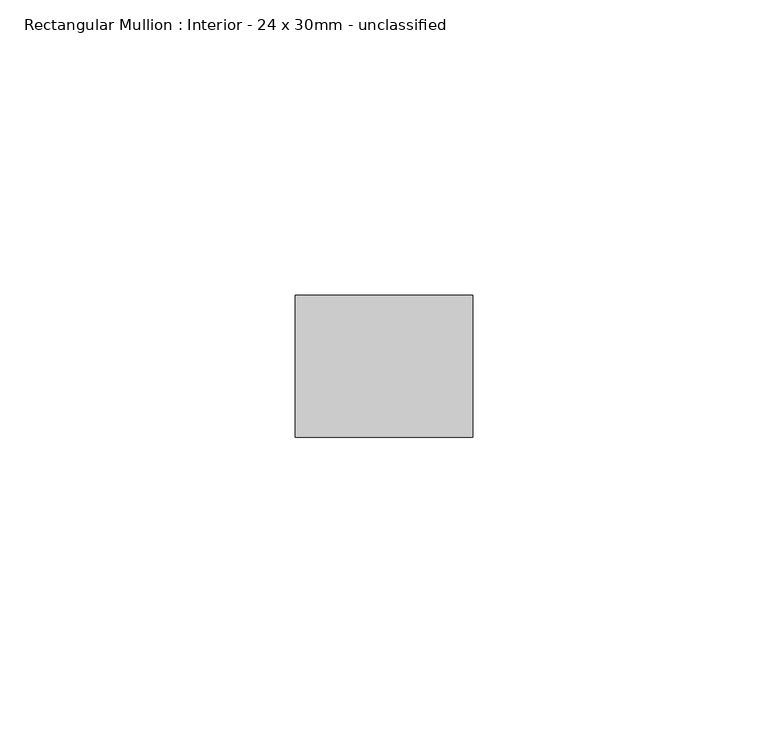
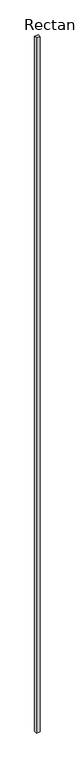
"""IFC4 building model written with IfcOpenShell, lengths in millimetres: member geometry, Rectangular Mullion : Interior - 24 x 30mm - unclassified."""

from ifc_helpers import new_model, si_unit, frame, origin, place, context, project, spatial, polyline, outline, extrude, source, transform, mapped, element, save


def rectangular_mullion_interior_24_x_30mm_unclassified_7825745f(model_context):
    return source(origin(), model_context, "Body", "SweptSolid", [
        extrude(outline(polyline([(0.0, 12.0), (0.0, -12.0), (-30.0, -12.0), (-30.0, 12.0), (0.0, 12.0)])), frame((0.0, 0.0, -6000.0), z_axis=(0.0, 0.0, 1.0), x_axis=(1.0, 0.0, 0.0)), (0.0, 0.0, 1.0), 6000.0),
    ])


if __name__ == "__main__":
    model = new_model("IFC4")
    model_context = context("Model", 3, world=origin())
    ifc_project = project(units=[si_unit("LENGTHUNIT", "METRE", prefix="MILLI")], contexts=[model_context])
    site = spatial("IfcSite", under=ifc_project)
    building = spatial("IfcBuilding", under=site)
    placement = place(None, origin())
    rectangular_mullion_interior_24_x_30mm_unclassified_shape = rectangular_mullion_interior_24_x_30mm_unclassified_7825745f(model_context)
    element("IfcMember", 1, ObjectType="Rectangular Mullion : Interior - 24 x 30mm - unclassified", at=placement, inside=building, context=model_context, shape_type="MappedRepresentation", body=[
        mapped(rectangular_mullion_interior_24_x_30mm_unclassified_shape, transform((0.0, 0.0, 0.0), x_axis=(1.0, 0.0, 0.0), y_axis=(0.0, 1.0, 0.0), z_axis=(0.0, 0.0, 1.0))),
    ])
    save(model, "model.ifc")
